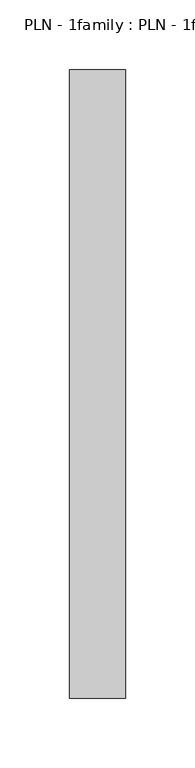
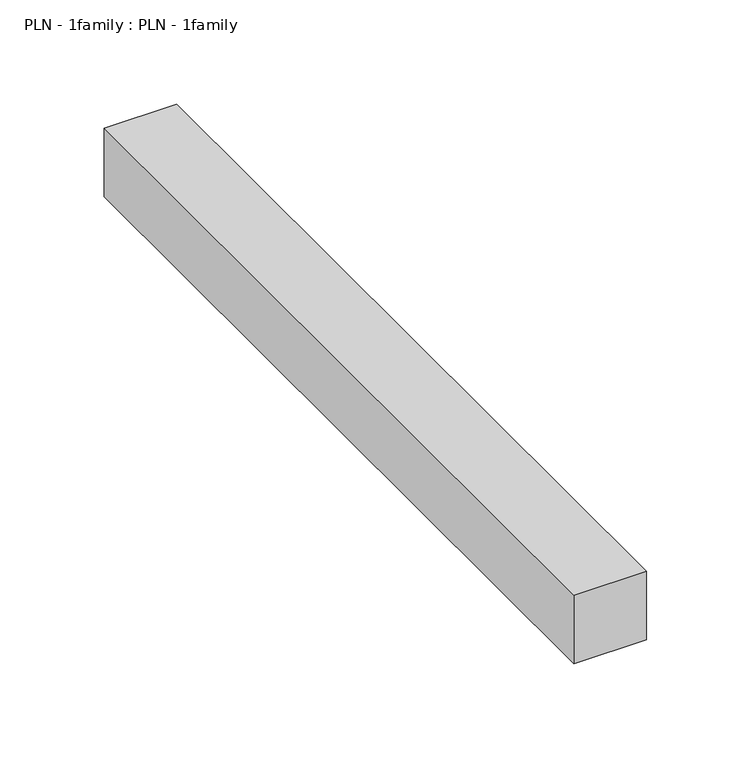
"""IFC4 building model written with IfcOpenShell, lengths in millimetres: proxy geometry, PLN - 1family : PLN - 1family."""

from ifc_helpers import new_model, si_unit, frame, origin, place, context, project, spatial, polyline, outline, extrude, source, transform, mapped, element, save


def pln_1family_pln_1family_093c9c44(model_context):
    return source(origin(), model_context, "Body", "SweptSolid", [
        extrude(outline(polyline([(0.0, 450.0), (40.0, 450.0), (40.0, 0.0), (0.0, 0.0), (0.0, 450.0)])), frame((0.0, 0.0, 400.0), z_axis=(0.0, 0.0, 1.0), x_axis=(1.0, 0.0, 0.0)), (0.0, 0.0, 1.0), 40.0),
    ])


if __name__ == "__main__":
    model = new_model("IFC4")
    model_context = context("Model", 3, world=origin())
    ifc_project = project(units=[si_unit("LENGTHUNIT", "METRE", prefix="MILLI")], contexts=[model_context])
    site = spatial("IfcSite", under=ifc_project)
    building = spatial("IfcBuilding", under=site)
    placement = place(None, origin())
    pln_1family_pln_1family_shape = pln_1family_pln_1family_093c9c44(model_context)
    element("IfcBuildingElementProxy", 1, Name="PLN - 1family : PLN - 1family", ObjectType="PLN - 1family : PLN - 1family", at=placement, inside=building, context=model_context, shape_type="MappedRepresentation", body=[
        mapped(pln_1family_pln_1family_shape, transform((0.0, 0.0, 0.0), x_axis=(1.0, 0.0, 0.0), y_axis=(0.0, 1.0, 0.0), z_axis=(0.0, 0.0, 1.0))),
    ])
    save(model, "model.ifc")
